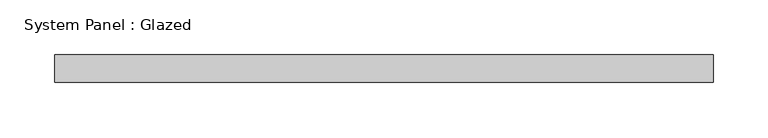
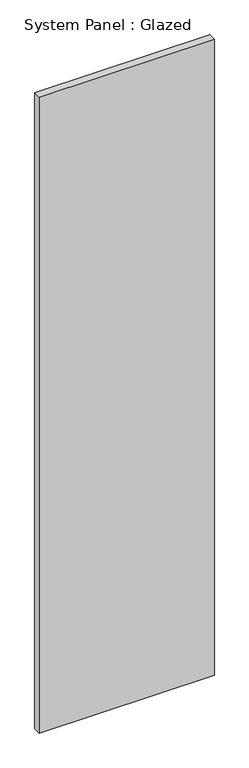
"""IFC4 building model written with IfcOpenShell, lengths in millimetres: plate geometry, System Panel : Glazed."""

from ifc_helpers import new_model, si_unit, origin, origin_with_axes, place, context, project, spatial, polyline, outline, extrude, source, transform, mapped, element, save


def system_panel_glazed_7eb5ed95(model_context):
    return source(origin(), model_context, "Body", "SweptSolid", [
        extrude(outline(polyline([(300.0, -49.5), (-300.0, -49.5), (-300.0, -24.5), (300.0, -24.5), (300.0, -49.5)])), origin_with_axes(), (0.0, 0.0, 1.0), 2300.0),
    ])


if __name__ == "__main__":
    model = new_model("IFC4")
    model_context = context("Model", 3, world=origin())
    ifc_project = project(units=[si_unit("LENGTHUNIT", "METRE", prefix="MILLI")], contexts=[model_context])
    site = spatial("IfcSite", under=ifc_project)
    building = spatial("IfcBuilding", under=site)
    placement = place(None, origin())
    system_panel_glazed_shape = system_panel_glazed_7eb5ed95(model_context)
    element("IfcPlate", 1, ObjectType="System Panel : Glazed", at=placement, inside=building, context=model_context, shape_type="MappedRepresentation", body=[
        mapped(system_panel_glazed_shape, transform((0.0, 0.0, 0.0), x_axis=(1.0, 0.0, 0.0), y_axis=(0.0, 1.0, 0.0), z_axis=(0.0, 0.0, 1.0))),
    ])
    save(model, "model.ifc")
